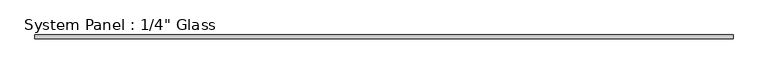
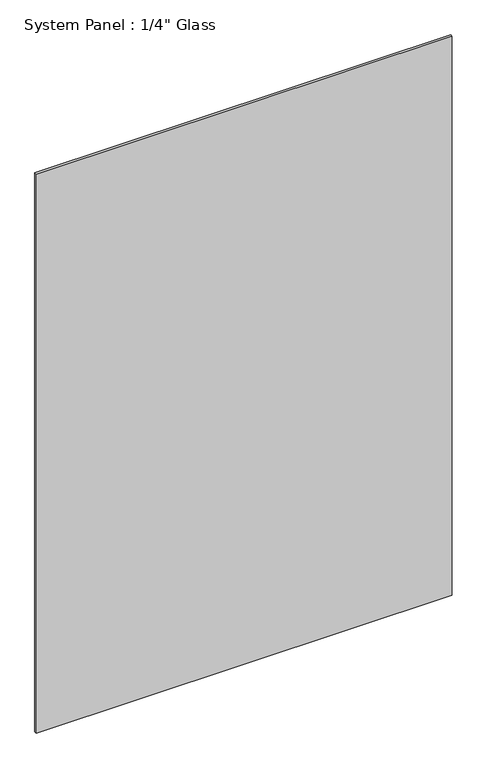
"""IFC4 building model written with IfcOpenShell, lengths in millimetres: plate geometry."""

from ifc_helpers import new_model, si_unit, origin, origin_with_axes, place, context, project, spatial, polyline, outline, extrude, source, transform, mapped, element, save


def plate_de02bd2e(model_context):
    return source(origin(), model_context, "Body", "SweptSolid", [
        extrude(outline(polyline([(596.9, -3.175), (-596.9, -3.175), (-596.9, 3.175), (596.9, 3.175), (596.9, -3.175)])), origin_with_axes(), (0.0, 0.0, 1.0), 1695.45),
    ])


if __name__ == "__main__":
    model = new_model("IFC4")
    model_context = context("Model", 3, world=origin())
    ifc_project = project(units=[si_unit("LENGTHUNIT", "METRE", prefix="MILLI")], contexts=[model_context])
    site = spatial("IfcSite", under=ifc_project)
    building = spatial("IfcBuilding", under=site)
    placement = place(None, origin())
    plate_shape = plate_de02bd2e(model_context)
    element("IfcPlate", 1, ObjectType="System Panel : 1/4\" Glass", at=placement, inside=building, context=model_context, shape_type="MappedRepresentation", body=[
        mapped(plate_shape, transform((0.0, 0.0, 0.0), x_axis=(1.0, 0.0, 0.0), y_axis=(0.0, 1.0, 0.0), z_axis=(0.0, 0.0, 1.0))),
    ])
    save(model, "model.ifc")
